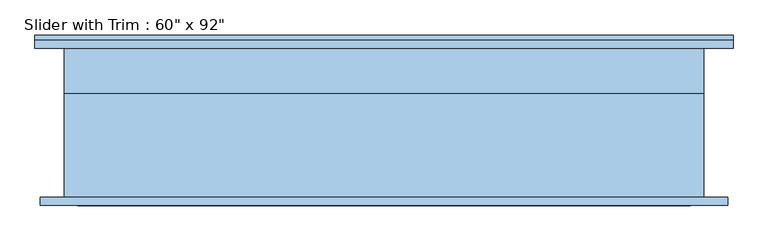
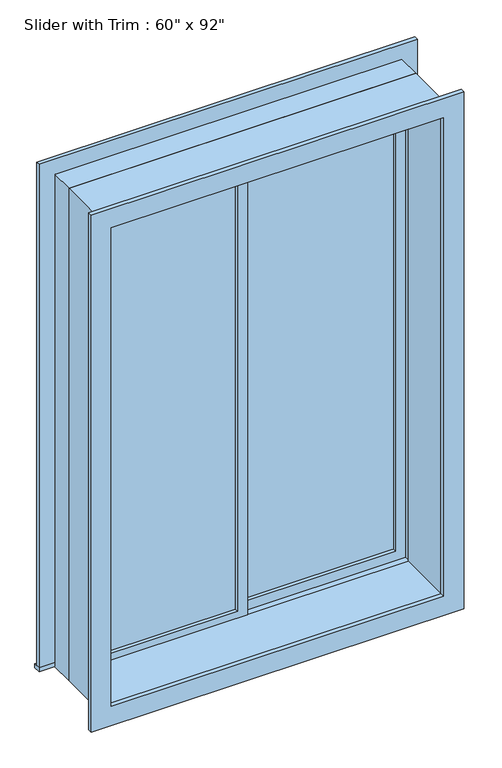
"""IFC4 building model written with IfcOpenShell, lengths in millimetres: window geometry."""

import ifcopenshell
import ifcopenshell.guid

model = None  # the IFC model being written
_history = None  # IfcOwnerHistory: only IFC2X3 demands one
_inside = {}  # id of a spatial element -> (the spatial element, [elements in it])
_under = {}  # id of a project, library or spatial element -> (it, [spatial elements below it])
_declared = {}  # id of a project -> (the project, [libraries it declares])
_typed = {}  # id of a type object -> (the type object, [elements of that type])
_made_of = {}  # id of a material, layer set ... -> (it, [elements and type objects made of it])


def new_model(schema):
    """Start an empty IFC model of exactly this schema.

    Asked for "IFC4X3", IfcOpenShell would pick the latest addendum, in which some entities
    have other attributes; the version numbers below select the first issue.
    IFC2X3 requires an IfcOwnerHistory on every rooted entity: one is made here for all.
    """
    global model, _history
    if schema == "IFC4X3":
        model = ifcopenshell.file(schema_version=(4, 3, 0, 0))
    else:
        model = ifcopenshell.file(schema=schema)
    _inside.clear()
    _under.clear()
    _declared.clear()
    _typed.clear()
    _made_of.clear()
    _history = None
    if model.schema == "IFC2X3":
        org = make("IfcOrganization", Name="unknown")
        user = make(
            "IfcPersonAndOrganization",
            ThePerson=make("IfcPerson", FamilyName="unknown"),
            TheOrganization=org,
        )
        app = make(
            "IfcApplication",
            ApplicationDeveloper=org,
            Version="unknown",
            ApplicationFullName="unknown",
            ApplicationIdentifier="unknown",
        )
        _history = make(
            "IfcOwnerHistory",
            OwningUser=user,
            OwningApplication=app,
            ChangeAction="ADDED",
            CreationDate=0,
        )
    return model


def make(cls, **values):
    """One entity of the class cls with the attributes given. An attribute that is None is left unset."""
    return model.create_entity(
        cls, **{name: value for name, value in values.items() if value is not None}
    )


def rooted(cls, **values):
    """An entity with a GlobalId (a new one), such as an element, a storey or a relation."""
    return make(cls, GlobalId=ifcopenshell.guid.new(), OwnerHistory=_history, **values)


def si_unit(unit_type, name, prefix=None):
    """IfcSIUnit, for example si_unit("LENGTHUNIT", "METRE", prefix="MILLI")."""
    return make("IfcSIUnit", UnitType=unit_type, Prefix=prefix, Name=name)


def assignment(units):
    """IfcUnitAssignment: the units of a project."""
    return None if units is None else make("IfcUnitAssignment", Units=units)


def point(xyz):
    """IfcCartesianPoint."""
    return None if xyz is None else make("IfcCartesianPoint", Coordinates=xyz)


def direction(xyz):
    """IfcDirection."""
    return None if xyz is None else make("IfcDirection", DirectionRatios=xyz)


def frame(location, z_axis=None, x_axis=None):
    """IfcAxis2Placement3D, a coordinate frame: its origin and axes. An axis left out is left unset."""
    return make(
        "IfcAxis2Placement3D",
        Location=point(location),
        Axis=direction(z_axis),
        RefDirection=direction(x_axis),
    )


def origin():
    """The frame at (0, 0, 0) with its axes left unset."""
    return frame((0.0, 0.0, 0.0))


def place(relative_to, where):
    """IfcLocalPlacement: puts the frame where relative to a parent placement (None: the world)."""
    return make(
        "IfcLocalPlacement", PlacementRelTo=relative_to, RelativePlacement=where
    )


def context(
    kind, dimensions, precision=None, world=None, true_north=None, identifier=None
):
    """IfcGeometricRepresentationContext, for example the 3D "Model" context."""
    return make(
        "IfcGeometricRepresentationContext",
        ContextIdentifier=identifier,
        ContextType=kind,
        CoordinateSpaceDimension=dimensions,
        Precision=precision,
        WorldCoordinateSystem=world,
        TrueNorth=true_north,
    )


def project(units=None, contexts=None):
    """IfcProject with its units and contexts."""
    return rooted(
        "IfcProject",
        Name="project",
        RepresentationContexts=contexts,
        UnitsInContext=assignment(units),
    )


def spatial(cls, under=None, at=None, **own):
    """A site, building, storey or space (cls), placed at a placement, below another one or the project."""
    s = rooted(cls, ObjectPlacement=at, **own)
    if under is not None:
        _under.setdefault(under.id(), (under, []))[1].append(s)
    return s


def polyline(points):
    """IfcPolyline through the points."""
    return make("IfcPolyline", Points=[point(p) for p in points])


def outline(outer, holes=None, kind="AREA"):
    """IfcArbitraryClosedProfileDef: a profile drawn as a closed curve; with holes, ...WithVoids."""
    if holes is None:
        return make("IfcArbitraryClosedProfileDef", ProfileType=kind, OuterCurve=outer)
    return make(
        "IfcArbitraryProfileDefWithVoids",
        ProfileType=kind,
        OuterCurve=outer,
        InnerCurves=holes,
    )


def extrude(swept, where, along, depth):
    """IfcExtrudedAreaSolid: the profile swept, set in the frame where, extruded along a direction by depth."""
    return make(
        "IfcExtrudedAreaSolid",
        SweptArea=swept,
        Position=where,
        ExtrudedDirection=direction(along),
        Depth=depth,
    )


def shape(context_of_items, identifier, shape_type, items):
    """IfcShapeRepresentation: the items that make up one representation, for example the "Body"."""
    return make(
        "IfcShapeRepresentation",
        ContextOfItems=context_of_items,
        RepresentationIdentifier=identifier,
        RepresentationType=shape_type,
        Items=items,
    )


def source(mapping_origin, context_of_items, identifier, shape_type, items):
    """IfcRepresentationMap: a shape defined once, which mapped items show again and again."""
    return make(
        "IfcRepresentationMap",
        MappingOrigin=mapping_origin,
        MappedRepresentation=shape(context_of_items, identifier, shape_type, items),
    )


def transform(
    local_origin,
    x_axis=None,
    y_axis=None,
    z_axis=None,
    scale=None,
    scale2=None,
    scale3=None,
    uniform=True,
):
    """IfcCartesianTransformationOperator3D, or its non-uniform kind. x_axis, y_axis, z_axis: its Axis1, 2, 3."""
    if uniform:
        return make(
            "IfcCartesianTransformationOperator3D",
            Axis1=direction(x_axis),
            Axis2=direction(y_axis),
            LocalOrigin=point(local_origin),
            Scale=scale,
            Axis3=direction(z_axis),
        )
    return make(
        "IfcCartesianTransformationOperator3DnonUniform",
        Axis1=direction(x_axis),
        Axis2=direction(y_axis),
        LocalOrigin=point(local_origin),
        Scale=scale,
        Axis3=direction(z_axis),
        Scale2=scale2,
        Scale3=scale3,
    )


def mapped(mapping_source, mapping_target):
    """IfcMappedItem: shows the shape of a source again, moved by a transform."""
    return make(
        "IfcMappedItem", MappingSource=mapping_source, MappingTarget=mapping_target
    )


def made_of(thing, what):
    """Note that an element or type object is made of a material, layer set ...; save() writes the relation."""
    if what is not None:
        _made_of.setdefault(what.id(), (what, []))[1].append(thing)
    return thing


def element(
    cls,
    number,
    at=None,
    inside=None,
    cuts=None,
    type_object=None,
    material=None,
    context=None,
    identifier="Body",
    shape_type=None,
    held_by="IfcProductDefinitionShape",
    body=None,
    shapes=None,
    **own,
):
    """One element of the class cls, such as IfcWall. Its Tag is "e" and its number.

    at: its placement. inside: the storey or other place that contains it. cuts: it is an
    opening in that element (IfcRelVoidsElement). A single representation is given by context,
    identifier, shape_type and body (its items); several are given by shapes. held_by: the class
    of the entity that holds the representations. save() writes the other relations.
    """
    e = rooted(cls, Tag="e%d" % number, ObjectPlacement=at, **own)
    if body is not None:
        shapes = [shape(context, identifier, shape_type, body)]
    if shapes is not None:
        e.Representation = make(held_by, Representations=shapes)
    if inside is not None:
        _inside.setdefault(inside.id(), (inside, []))[1].append(e)
    if cuts is not None:
        rooted(
            "IfcRelVoidsElement", RelatingBuildingElement=cuts, RelatedOpeningElement=e
        )
    if type_object is not None:
        _typed.setdefault(type_object.id(), (type_object, []))[1].append(e)
    return made_of(e, material)


def aggregate(whole, parts):
    """IfcRelAggregates: a whole, such as a stair, and the parts it consists of."""
    return rooted("IfcRelAggregates", RelatingObject=whole, RelatedObjects=parts)


def save(model, path):
    """Write the relations noted so far, then the file.

    IfcRelAggregates (storeys below a building ...), IfcRelContainedInSpatialStructure (elements
    in a storey), IfcRelDefinesByType, IfcRelAssociatesMaterial and IfcRelDeclares: one each for
    every whole, place, type object, material and project.
    """
    for whole, parts in _under.values():
        aggregate(whole, parts)
    for where, things in _inside.values():
        rooted(
            "IfcRelContainedInSpatialStructure",
            RelatedElements=things,
            RelatingStructure=where,
        )
    for kind, things in _typed.values():
        rooted("IfcRelDefinesByType", RelatedObjects=things, RelatingType=kind)
    for what, things in _made_of.values():
        rooted("IfcRelAssociatesMaterial", RelatedObjects=things, RelatingMaterial=what)
    for by, libraries in _declared.values():
        rooted("IfcRelDeclares", RelatingContext=by, RelatedDefinitions=libraries)
    model.write(path)


def window_309c0469(model_context):
    return source(origin(), model_context, "Body", "SweptSolid", [
        extrude(outline(polyline([(-698.5, 98.425), (-22.225, 98.425), (-22.225, 85.725), (-698.5, 85.725), (-698.5, 98.425)])), frame((0.0, 0.0, 977.9), z_axis=(0.0, 0.0, 1.0), x_axis=(1.0, 0.0, 0.0)), (0.0, 0.0, 1.0), 2159.0),
        extrude(outline(polyline([(3181.35, -742.95), (933.45, -742.95), (933.45, 22.225), (3181.35, 22.225), (3181.35, -742.95)]), holes=[polyline([(3136.9, -698.5), (3136.9, -22.225), (977.9, -22.225), (977.9, -698.5), (3136.9, -698.5)])]), frame((0.0, 69.85, 0.0), z_axis=(0.0, 1.0, 0.0), x_axis=(0.0, 0.0, 1.0)), (0.0, 0.0, 1.0), 44.45),
        extrude(outline(polyline([(-831.85, 209.55), (831.85, 209.55), (831.85, 177.8), (-831.85, 177.8), (-831.85, 209.55)])), frame((0.0, 0.0, 914.4), z_axis=(0.0, 0.0, 1.0), x_axis=(1.0, 0.0, 0.0)), (0.0, 0.0, 1.0), 19.05),
        extrude(outline(polyline([(3181.35, -742.95), (3181.35, 742.95), (933.45, 742.95), (933.45, 831.85), (3270.25, 831.85), (3270.25, -831.85), (933.45, -831.85), (933.45, -742.95), (3181.35, -742.95)])), frame((0.0, 177.8, 0.0), z_axis=(0.0, 1.0, 0.0), x_axis=(0.0, 0.0, 1.0)), (0.0, 0.0, 1.0), 19.05),
        extrude(outline(polyline([(3257.55, 819.15), (3257.55, -819.15), (857.25, -819.15), (857.25, 819.15), (3257.55, 819.15)]), holes=[polyline([(3168.65, 730.25), (946.15, 730.25), (946.15, -730.25), (3168.65, -730.25), (3168.65, 730.25)])]), frame((0.0, -196.85, 0.0), z_axis=(0.0, 1.0, 0.0), x_axis=(0.0, 0.0, 1.0)), (0.0, 0.0, 1.0), 19.05),
        extrude(outline(polyline([(698.5, 130.175), (22.225, 130.175), (22.225, 142.875), (698.5, 142.875), (698.5, 130.175)])), frame((0.0, 0.0, 977.9), z_axis=(0.0, 0.0, 1.0), x_axis=(1.0, 0.0, 0.0)), (0.0, 0.0, 1.0), 2159.0),
        extrude(outline(polyline([(3181.35, -22.225), (933.45, -22.225), (933.45, 742.95), (3181.35, 742.95), (3181.35, -22.225)]), holes=[polyline([(3136.9, 22.225), (3136.9, 698.5), (977.9, 698.5), (977.9, 22.225), (3136.9, 22.225)])]), frame((0.0, 114.3, 0.0), z_axis=(0.0, 1.0, 0.0), x_axis=(0.0, 0.0, 1.0)), (0.0, 0.0, 1.0), 44.45),
        extrude(outline(polyline([(3200.4, -762.0), (914.4, -762.0), (914.4, 762.0), (3200.4, 762.0), (3200.4, -762.0)]), holes=[polyline([(3168.65, -730.25), (3168.65, 730.25), (946.15, 730.25), (946.15, -730.25), (3168.65, -730.25)])]), frame((0.0, -177.8, 0.0), z_axis=(0.0, 1.0, 0.0), x_axis=(0.0, 0.0, 1.0)), (0.0, 0.0, 1.0), 247.65),
        extrude(outline(polyline([(3200.4, 762.0), (3200.4, -762.0), (914.4, -762.0), (914.4, 762.0), (3200.4, 762.0)]), holes=[polyline([(3181.35, 742.95), (933.45, 742.95), (933.45, -742.95), (3181.35, -742.95), (3181.35, 742.95)])]), frame((0.0, 69.85, 0.0), z_axis=(0.0, 1.0, 0.0), x_axis=(0.0, 0.0, 1.0)), (0.0, 0.0, 1.0), 107.95),
    ])


if __name__ == "__main__":
    model = new_model("IFC4")
    model_context = context("Model", 3, world=origin())
    ifc_project = project(units=[si_unit("LENGTHUNIT", "METRE", prefix="MILLI")], contexts=[model_context])
    site = spatial("IfcSite", under=ifc_project)
    building = spatial("IfcBuilding", under=site)
    placement = place(None, origin())
    window_shape = window_309c0469(model_context)
    element("IfcWindow", 1, ObjectType="Slider with Trim : 60\" x 92\"", at=placement, inside=building, context=model_context, shape_type="MappedRepresentation", body=[
        mapped(window_shape, transform((0.0, 0.0, 0.0), x_axis=(1.0, 0.0, 0.0), y_axis=(0.0, 1.0, 0.0), z_axis=(0.0, 0.0, 1.0))),
    ])
    save(model, "model.ifc")
